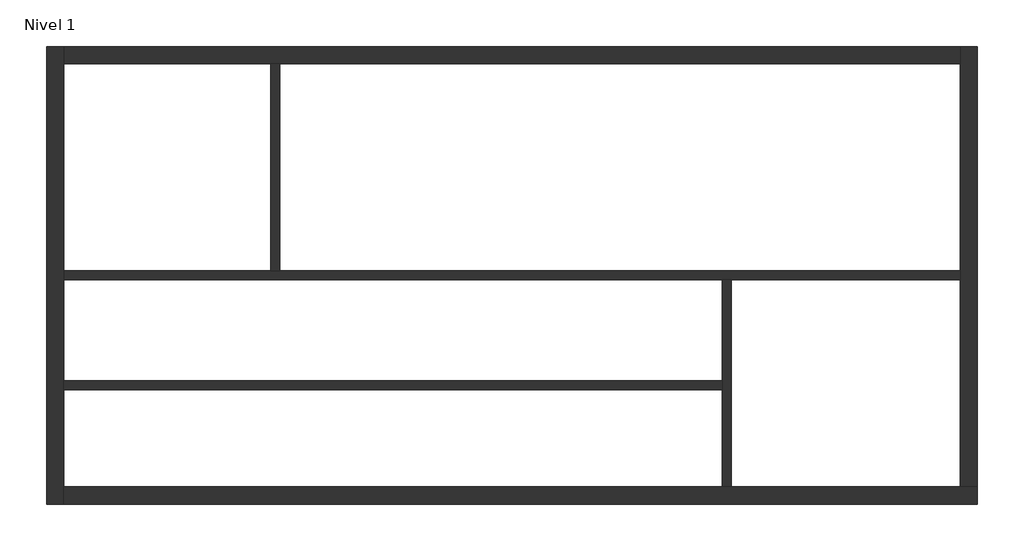
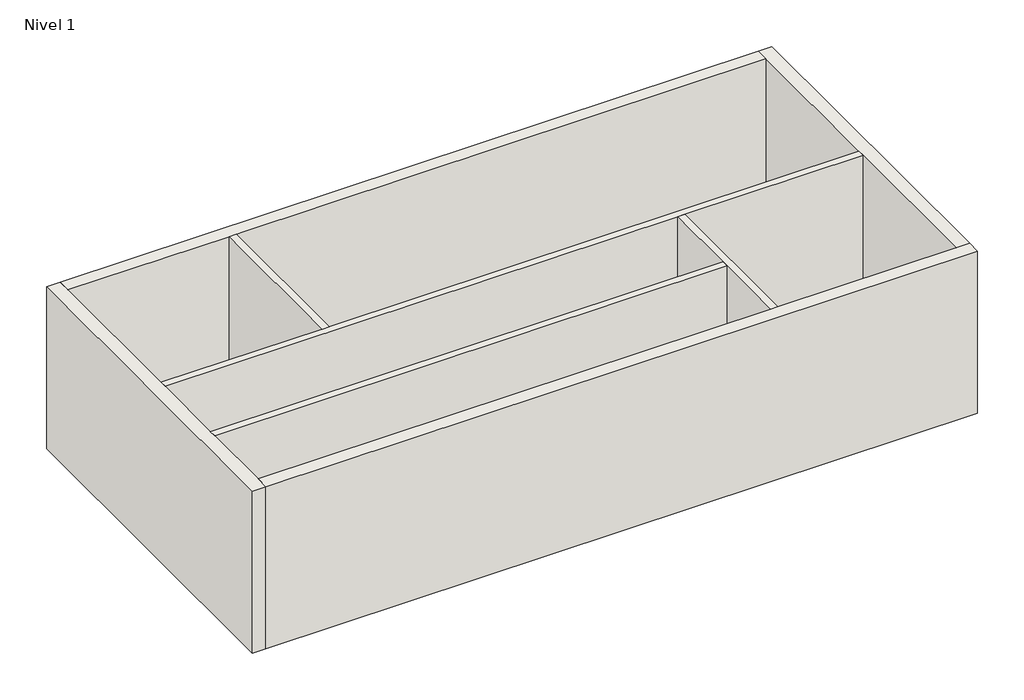
# One storey: 8 walls.
"""IFC4 building model written with IfcOpenShell, lengths in millimetres."""

from ifc_helpers import new_model, si_unit, origin, origin_with_axes, place, context, project, spatial, polyline, outline, extrude, faceted_brep, element, save

model = new_model("IFC4")

# Units and contexts
model_context = context("Model", 3, world=origin())
ifc_project = project(units=[si_unit("LENGTHUNIT", "METRE", prefix="MILLI")], contexts=[model_context])

# Site, building, storey
site = spatial("IfcSite", under=ifc_project)
building = spatial("IfcBuilding", under=site)
storey = spatial("IfcBuildingStorey", under=building, Name="Nivel 1", Elevation=0.0)

# Walls
placement = place(None, origin())
element("IfcWall", 1, at=placement, inside=storey, context=model_context, shape_type="Brep", body=[
    faceted_brep([(-1973.7051094, 1441.7820312, 0.0), (7138.9512906, 1441.7820312, 0.0), (7265.0368906, 1441.7820312, 0.0), (10434.0932906, 1441.7820312, 0.0), (10434.0932906, 1441.7820312, 3048.0), (7265.0368906, 1441.7820312, 3048.0), (7138.9512906, 1441.7820312, 3048.0), (-1973.7051094, 1441.7820312, 3048.0), (-1973.7051094, 1567.8676312, 0.0), (-1973.7051094, 1567.8676312, 3048.0), (890.5512906, 1567.8676312, 3048.0), (1016.6368906, 1567.8676312, 3048.0), (10434.0932906, 1567.8676312, 3048.0), (10434.0932906, 1567.8676312, 0.0), (1016.6368906, 1567.8676312, 0.0), (890.5512906, 1567.8676312, 0.0)], [[[0, 1, 2, 3, 4, 5, 6, 7]], [[8, 9, 10, 11, 12, 13, 14, 15]], [[3, 2, 1, 0, 8, 15, 14, 13]], [[7, 6, 5, 4, 12, 11, 10, 9]], [[0, 7, 9, 8]], [[4, 3, 13, 12]]]),
])
element("IfcWall", 2, at=placement, inside=storey, context=model_context, shape_type="SweptSolid", body=[
    extrude(outline(polyline([(1016.6368906, 4432.1240312), (1016.6368906, 1567.8676312), (890.5512906, 1567.8676312), (890.5512906, 4432.1240312), (1016.6368906, 4432.1240312)])), origin_with_axes(), (0.0, 0.0, 1.0), 3048.0),
])
element("IfcWall", 3, at=placement, inside=storey, context=model_context, shape_type="Brep", body=[
    faceted_brep([(7138.9512906, 1441.7820312, 0.0), (7138.9512906, 43.8676312, 0.0), (7138.9512906, -82.2179688, 0.0), (7138.9512906, -1422.4743688, 0.0), (7138.9512906, -1422.4743688, 3048.0), (7138.9512906, -82.2179688, 3048.0), (7138.9512906, 43.8676312, 3048.0), (7138.9512906, 1441.7820312, 3048.0), (7265.0368906, 1441.7820312, 0.0), (7265.0368906, 1441.7820312, 3048.0), (7265.0368906, -1422.4743688, 3048.0), (7265.0368906, -1422.4743688, 0.0)], [[[0, 1, 2, 3, 4, 5, 6, 7]], [[8, 9, 10, 11]], [[3, 2, 1, 0, 8, 11]], [[7, 6, 5, 4, 10, 9]], [[0, 7, 9, 8]], [[4, 3, 11, 10]]]),
])
element("IfcWall", 4, at=placement, inside=storey, context=model_context, shape_type="SweptSolid", body=[
    extrude(outline(polyline([(-1973.7051094, 43.8676312), (7138.9512906, 43.8676312), (7138.9512906, -82.2179688), (-1973.7051094, -82.2179688), (-1973.7051094, 43.8676312)])), origin_with_axes(), (0.0, 0.0, 1.0), 3048.0),
])
element("IfcWall", 5, ObjectType="Brick Wall", at=placement, inside=storey, context=model_context, shape_type="Brep", body=[
    faceted_brep([(-2215.1067094, 4673.5256312, 0.0), (-2215.1067094, -1663.8759688, 0.0), (-2215.1067094, -1663.8759688, 3048.0), (-2215.1067094, 4673.5256312, 3048.0), (-1973.7051094, 4673.5256312, 0.0), (-1973.7051094, 4673.5256312, 3048.0), (-1973.7051094, 4432.1240312, 3048.0), (-1973.7051094, 1567.8676312, 3048.0), (-1973.7051094, 1441.7820312, 3048.0), (-1973.7051094, 43.8676312, 3048.0), (-1973.7051094, -82.2179688, 3048.0), (-1973.7051094, -1422.4743688, 3048.0), (-1973.7051094, -1663.8759688, 3048.0), (-1973.7051094, -1663.8759688, 0.0), (-1973.7051094, -1422.4743688, 0.0), (-1973.7051094, -82.2179688, 0.0), (-1973.7051094, 43.8676312, 0.0), (-1973.7051094, 1441.7820312, 0.0), (-1973.7051094, 1567.8676312, 0.0), (-1973.7051094, 4432.1240312, 0.0)], [[[0, 1, 2, 3]], [[4, 5, 6, 7, 8, 9, 10, 11, 12, 13, 14, 15, 16, 17, 18, 19]], [[1, 0, 4, 19, 18, 17, 16, 15, 14, 13]], [[3, 2, 12, 11, 10, 9, 8, 7, 6, 5]], [[2, 1, 13, 12]], [[0, 3, 5, 4]]]),
])
element("IfcWall", 6, ObjectType="Brick Wall", at=placement, inside=storey, context=model_context, shape_type="Brep", body=[
    faceted_brep([(-1973.7051094, -1663.8759688, 0.0), (10675.4948906, -1663.8759688, 0.0), (10675.4948906, -1663.8759688, 3048.0), (-1973.7051094, -1663.8759688, 3048.0), (-1973.7051094, -1422.4743688, 0.0), (-1973.7051094, -1422.4743688, 3048.0), (7138.9512906, -1422.4743688, 3048.0), (7265.0368906, -1422.4743688, 3048.0), (10434.0932906, -1422.4743688, 3048.0), (10675.4948906, -1422.4743688, 3048.0), (10675.4948906, -1422.4743688, 0.0), (10434.0932906, -1422.4743688, 0.0), (7265.0368906, -1422.4743688, 0.0), (7138.9512906, -1422.4743688, 0.0)], [[[0, 1, 2, 3]], [[4, 5, 6, 7, 8, 9, 10, 11, 12, 13]], [[1, 0, 4, 13, 12, 11, 10]], [[3, 2, 9, 8, 7, 6, 5]], [[0, 3, 5, 4]], [[2, 1, 10, 9]]]),
])
element("IfcWall", 7, ObjectType="Stone Wall", at=placement, inside=storey, context=model_context, shape_type="Brep", body=[
    faceted_brep([(10675.4948906, -1422.4743688, 0.0), (10675.4948906, 4673.5256312, 0.0), (10675.4948906, 4673.5256312, 3048.0), (10675.4948906, -1422.4743688, 3048.0), (10434.0932906, -1422.4743688, 0.0), (10434.0932906, -1422.4743688, 3048.0), (10434.0932906, 1441.7820312, 3048.0), (10434.0932906, 1567.8676312, 3048.0), (10434.0932906, 4432.1240312, 3048.0), (10434.0932906, 4673.5256312, 3048.0), (10434.0932906, 4673.5256312, 0.0), (10434.0932906, 4432.1240312, 0.0), (10434.0932906, 1567.8676312, 0.0), (10434.0932906, 1441.7820312, 0.0)], [[[0, 1, 2, 3]], [[4, 5, 6, 7, 8, 9, 10, 11, 12, 13]], [[1, 0, 4, 13, 12, 11, 10]], [[3, 2, 9, 8, 7, 6, 5]], [[0, 3, 5, 4]], [[2, 1, 10, 9]]]),
])
element("IfcWall", 8, ObjectType="Stone Wall", at=placement, inside=storey, context=model_context, shape_type="Brep", body=[
    faceted_brep([(10434.0932906, 4673.5256312, 0.0), (-1973.7051094, 4673.5256312, 0.0), (-1973.7051094, 4673.5256312, 3048.0), (10434.0932906, 4673.5256312, 3048.0), (10434.0932906, 4432.1240312, 0.0), (10434.0932906, 4432.1240312, 3048.0), (1016.6368906, 4432.1240312, 3048.0), (890.5512906, 4432.1240312, 3048.0), (-1973.7051094, 4432.1240312, 3048.0), (-1973.7051094, 4432.1240312, 0.0), (890.5512906, 4432.1240312, 0.0), (1016.6368906, 4432.1240312, 0.0)], [[[0, 1, 2, 3]], [[4, 5, 6, 7, 8, 9, 10, 11]], [[1, 0, 4, 11, 10, 9]], [[3, 2, 8, 7, 6, 5]], [[2, 1, 9, 8]], [[0, 3, 5, 4]]]),
])

save(model, "model.ifc")
